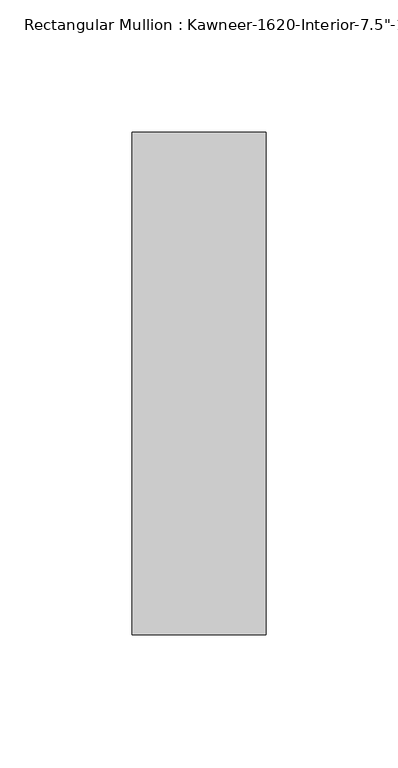
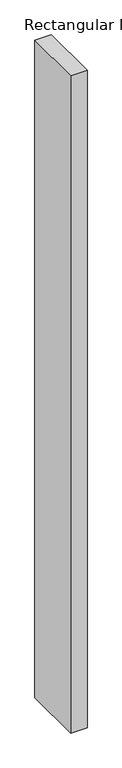
"""IFC4 building model written with IfcOpenShell, lengths in millimetres: member geometry."""

from ifc_helpers import new_model, si_unit, frame, origin, place, context, project, spatial, polyline, outline, extrude, source, transform, mapped, element, save


def member_b56c3430(model_context):
    return source(origin(), model_context, "Body", "SweptSolid", [
        extrude(outline(polyline([(25.4, -152.4), (-25.4, -152.4), (-25.4, 38.1), (25.4, 38.1), (25.4, -152.4)])), frame((0.0, 0.0, -2143.125), z_axis=(0.0, 0.0, 1.0), x_axis=(1.0, 0.0, 0.0)), (0.0, 0.0, 1.0), 2143.125),
    ])


if __name__ == "__main__":
    model = new_model("IFC4")
    model_context = context("Model", 3, world=origin())
    ifc_project = project(units=[si_unit("LENGTHUNIT", "METRE", prefix="MILLI")], contexts=[model_context])
    site = spatial("IfcSite", under=ifc_project)
    building = spatial("IfcBuilding", under=site)
    placement = place(None, origin())
    member_shape = member_b56c3430(model_context)
    element("IfcMember", 1, ObjectType="Rectangular Mullion : Kawneer-1620-Interior-7.5\"-1\"Infill", at=placement, inside=building, context=model_context, shape_type="MappedRepresentation", body=[
        mapped(member_shape, transform((0.0, 0.0, 0.0), x_axis=(1.0, 0.0, 0.0), y_axis=(0.0, 1.0, 0.0), z_axis=(0.0, 0.0, 1.0))),
    ])
    save(model, "model.ifc")
